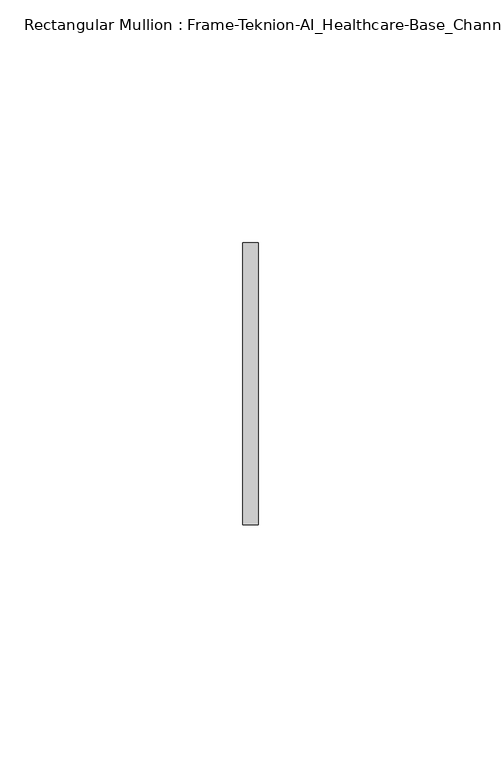
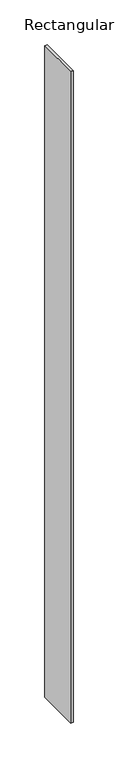
"""IFC4 building model written with IfcOpenShell, lengths in millimetres: member geometry, Rectangular Mullion : Frame-Teknion-AI_Healthcare-Base_Channel."""

from ifc_helpers import new_model, si_unit, frame, origin, place, context, project, spatial, polyline, outline, extrude, source, transform, mapped, element, save


def rectangular_mullion_frame_teknion_ai_healthcare_base_channel_eab599bd(model_context):
    return source(origin(), model_context, "Body", "SweptSolid", [
        extrude(outline(polyline([(0.0, 29.0214844), (0.0, -29.0214844), (-3.175, -29.0214844), (-3.175, 29.0214844), (0.0, 29.0214844)])), frame((0.0, 0.0, -889.1704326), z_axis=(0.0, 0.0, 1.0), x_axis=(1.0, 0.0, 0.0)), (0.0, 0.0, 1.0), 889.1704326),
    ])


if __name__ == "__main__":
    model = new_model("IFC4")
    model_context = context("Model", 3, world=origin())
    ifc_project = project(units=[si_unit("LENGTHUNIT", "METRE", prefix="MILLI")], contexts=[model_context])
    site = spatial("IfcSite", under=ifc_project)
    building = spatial("IfcBuilding", under=site)
    placement = place(None, origin())
    rectangular_mullion_frame_teknion_ai_healthcare_base_channel_shape = rectangular_mullion_frame_teknion_ai_healthcare_base_channel_eab599bd(model_context)
    element("IfcMember", 1, ObjectType="Rectangular Mullion : Frame-Teknion-AI_Healthcare-Base_Channel", at=placement, inside=building, context=model_context, shape_type="MappedRepresentation", body=[
        mapped(rectangular_mullion_frame_teknion_ai_healthcare_base_channel_shape, transform((0.0, 0.0, 0.0), x_axis=(1.0, 0.0, 0.0), y_axis=(0.0, 1.0, 0.0), z_axis=(0.0, 0.0, 1.0))),
    ])
    save(model, "model.ifc")
